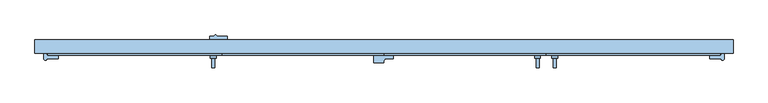
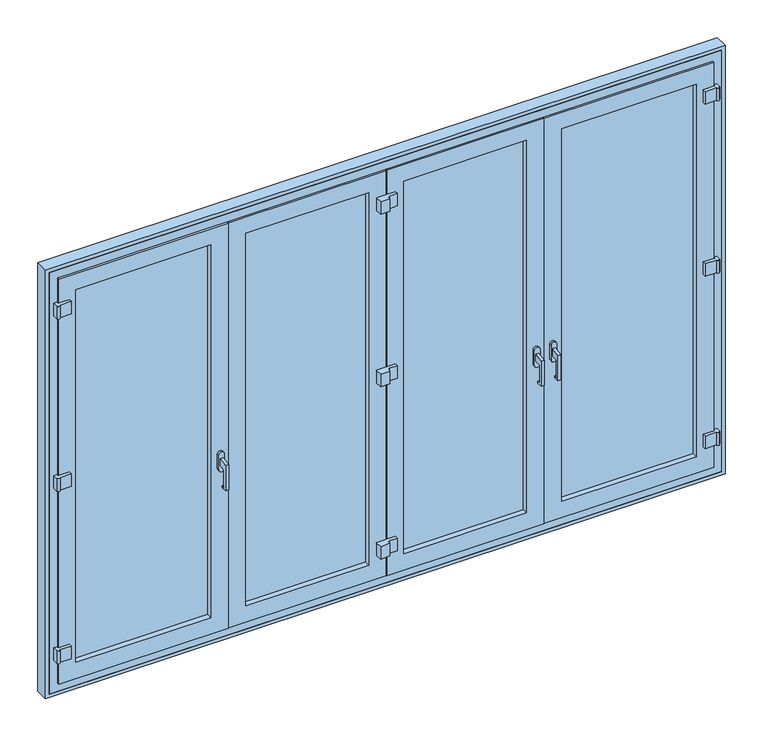
"""IFC4 building model written with IfcOpenShell, lengths in millimetres: window geometry."""

from ifc_helpers import new_model, si_unit, point, frame, frame_2d, origin, place, context, project, spatial, polyline, circle_curve, trimmed, segment, composite_curve, outline, extrude, faceted_brep, source, transform, mapped, element, save
from ifc_brep_helpers import plane_surface, cylinder_surface, advanced_brep


def window_f458650f(model_context):
    return source(origin(), model_context, "Body", "SolidModel", [
        extrude(outline(polyline([(-29.0, 1000.0), (-29.0, 900.0), (-14.0, 900.0), (-14.0, 890.0), (-44.0, 890.0), (-44.0, 1031.183651), (6.0, 1040.0), (6.0, 1000.0), (-29.0, 1000.0)])), frame((871.75, 0.0, 0.0), z_axis=(1.0, 0.0, 0.0), x_axis=(0.0, 1.0, 0.0)), (0.0, 0.0, 1.0), 16.0),
        extrude(outline(polyline([(-29.0, 1000.0), (-29.0, 900.0), (-14.0, 900.0), (-14.0, 890.0), (-44.0, 890.0), (-44.0, 1031.183651), (6.0, 1040.0), (6.0, 1000.0), (-29.0, 1000.0)])), frame((-887.75, 0.0, 0.0), z_axis=(1.0, 0.0, 0.0), x_axis=(0.0, 1.0, 0.0)), (0.0, 0.0, 1.0), 16.0),
        advanced_brep(
        [(-864.75, 6.0, 1060.0), (-894.75, 6.0, 1060.0), (-894.75, 6.0, 980.0), (-864.75, 6.0, 980.0), (-864.75, 20.0, 1060.0), (-864.75, 20.0, 980.0), (-894.75, 20.0, 980.0), (-894.75, 20.0, 1060.0)],
        [
            (0, 1, circle_curve(frame((-879.75, 6.0, 1060.0), z_axis=(0.0, -1.0, 0.0), x_axis=(-1.0, 0.0, 0.0)), 15.0)),
            (1, 2),
            (2, 3, circle_curve(frame((-879.75, 6.0, 980.0), z_axis=(0.0, -1.0, 0.0), x_axis=(-1.0, 0.0, 0.0)), 15.0)),
            (3, 0),
            (4, 5),
            (5, 6, circle_curve(frame((-879.75, 20.0, 980.0), z_axis=(0.0, 1.0, 0.0), x_axis=(-1.0, 0.0, 0.0)), 15.0)),
            (6, 7),
            (7, 4, circle_curve(frame((-879.75, 20.0, 1060.0), z_axis=(0.0, 1.0, 0.0), x_axis=(-1.0, 0.0, 0.0)), 15.0)),
            (3, 5),
            (4, 0),
            (2, 6),
            (1, 7),
        ],
        [
            plane_surface(frame((-864.75, 6.0, 1060.0), z_axis=(0.0, -1.0, 0.0), x_axis=(0.0, 0.0, 1.0))),
            plane_surface(frame((-864.75, 20.0, 1060.0), z_axis=(0.0, 1.0, 0.0), x_axis=(0.0, 0.0, -1.0))),
            plane_surface(frame((-864.75, 20.0, 1060.0), z_axis=(1.0, 0.0, 0.0), x_axis=(0.0, -1.0, 0.0))),
            cylinder_surface(frame((-879.75, 6.0, 980.0), z_axis=(0.0, 1.0, 0.0), x_axis=(-1.0, 0.0, 0.0)), 15.0),
            plane_surface(frame((-894.75, 20.0, 980.0), z_axis=(-1.0, 0.0, 0.0), x_axis=(0.0, -1.0, 0.0))),
            cylinder_surface(frame((-879.75, 6.0, 1060.0), z_axis=(0.0, 1.0, 0.0), x_axis=(-1.0, 0.0, 0.0)), 15.0),
        ],
        [
            (0, [[1, 2, 3, 4]]),
            (1, [[5, 6, 7, 8]]),
            (2, [[-4, 9, -5, 10]]),
            (3, [[-3, 11, -6, -9]]),
            (4, [[-2, 12, -7, -11]]),
            (5, [[-1, -10, -8, -12]]),
        ],
    ),
        advanced_brep(
        [(806.75, 6.0, 1060.0), (776.75, 6.0, 1060.0), (776.75, 6.0, 980.0), (806.75, 6.0, 980.0), (799.75, 6.0, 1040.0), (799.75, 6.0, 1000.0), (783.75, 6.0, 1000.0), (783.75, 6.0, 1040.0), (806.75, 20.0, 1060.0), (806.75, 20.0, 980.0), (776.75, 20.0, 980.0), (776.75, 20.0, 1060.0), (799.75, -29.0, 1000.0), (799.75, -44.0, 1031.183651), (799.75, -44.0, 890.0), (799.75, -14.0, 890.0), (799.75, -14.0, 900.0), (799.75, -29.0, 900.0), (783.75, -29.0, 1000.0), (783.75, -29.0, 900.0), (783.75, -14.0, 900.0), (783.75, -14.0, 890.0), (783.75, -44.0, 890.0), (783.75, -44.0, 1031.183651)],
        [
            (0, 1, circle_curve(frame((791.75, 6.0, 1060.0), z_axis=(0.0, -1.0, 0.0), x_axis=(-1.0, 0.0, 0.0)), 15.0)),
            (1, 2),
            (2, 3, circle_curve(frame((791.75, 6.0, 980.0), z_axis=(0.0, -1.0, 0.0), x_axis=(-1.0, 0.0, 0.0)), 15.0)),
            (3, 0),
            (4, 5),
            (5, 6),
            (6, 7),
            (7, 4),
            (8, 9),
            (9, 10, circle_curve(frame((791.75, 20.0, 980.0), z_axis=(0.0, 1.0, 0.0), x_axis=(-1.0, 0.0, 0.0)), 15.0)),
            (10, 11),
            (11, 8, circle_curve(frame((791.75, 20.0, 1060.0), z_axis=(0.0, 1.0, 0.0), x_axis=(-1.0, 0.0, 0.0)), 15.0)),
            (12, 5),
            (4, 13),
            (13, 14),
            (14, 15),
            (15, 16),
            (16, 17),
            (17, 12),
            (18, 19),
            (19, 20),
            (20, 21),
            (21, 22),
            (22, 23),
            (23, 7),
            (6, 18),
            (17, 19),
            (18, 12),
            (16, 20),
            (15, 21),
            (14, 22),
            (13, 23),
            (3, 9),
            (8, 0),
            (2, 10),
            (1, 11),
        ],
        [
            plane_surface(frame((-864.75, 6.0, 1060.0), z_axis=(0.0, -1.0, 0.0), x_axis=(0.0, 0.0, 1.0))),
            plane_surface(frame((-864.75, 20.0, 1060.0), z_axis=(0.0, 1.0, 0.0), x_axis=(0.0, 0.0, -1.0))),
            plane_surface(frame((799.75, -29.0, 1000.0), z_axis=(1.0, 0.0, 0.0), x_axis=(0.0, 0.0, 1.0))),
            plane_surface(frame((783.75, -29.0, 1000.0), z_axis=(-1.0, 0.0, 0.0), x_axis=(0.0, 0.0, -1.0))),
            plane_surface(frame((783.75, -29.0, 1000.0), z_axis=(0.0, 1.0, 0.0), x_axis=(1.0, 0.0, 0.0))),
            plane_surface(frame((783.75, -29.0, 900.0), z_axis=(0.0, 0.0, 1.0), x_axis=(1.0, 0.0, 0.0))),
            plane_surface(frame((783.75, -14.0, 900.0), z_axis=(0.0, 1.0, 0.0), x_axis=(1.0, 0.0, 0.0))),
            plane_surface(frame((783.75, -14.0, 890.0), z_axis=(0.0, 0.0, -1.0), x_axis=(1.0, 0.0, 0.0))),
            plane_surface(frame((783.75, -44.0, 890.0), z_axis=(0.0, -1.0, 0.0), x_axis=(1.0, 0.0, 0.0))),
            plane_surface(frame((783.75, -44.0, 1031.183651), z_axis=(0.0, -0.17364817766692772, 0.9848077530122086), x_axis=(1.0, 0.0, 0.0))),
            plane_surface(frame((783.75, 6.0, 1000.0), z_axis=(0.0, 0.0, -1.0), x_axis=(1.0, 0.0, 0.0))),
            plane_surface(frame((806.75, 20.0, 1060.0), z_axis=(1.0, 0.0, 0.0), x_axis=(0.0, -1.0, 0.0))),
            cylinder_surface(frame((791.75, 20.0, 980.0), z_axis=(0.0, 1.0, 0.0), x_axis=(-1.0, 0.0, 0.0)), 15.0),
            plane_surface(frame((776.75, 20.0, 980.0), z_axis=(-1.0, 0.0, 0.0), x_axis=(0.0, -1.0, 0.0))),
            cylinder_surface(frame((791.75, 20.0, 1060.0), z_axis=(0.0, 1.0, 0.0), x_axis=(-1.0, 0.0, 0.0)), 15.0),
        ],
        [
            (0, [[1, 2, 3, 4], [5, 6, 7, 8]]),
            (1, [[9, 10, 11, 12]]),
            (2, [[13, -5, 14, 15, 16, 17, 18, 19]]),
            (3, [[20, 21, 22, 23, 24, 25, -7, 26]]),
            (4, [[-19, 27, -20, 28]]),
            (5, [[-18, 29, -21, -27]]),
            (6, [[-17, 30, -22, -29]]),
            (7, [[-16, 31, -23, -30]]),
            (8, [[-15, 32, -24, -31]]),
            (9, [[-14, -8, -25, -32]]),
            (10, [[-13, -28, -26, -6]]),
            (11, [[-4, 33, -9, 34]]),
            (12, [[-3, 35, -10, -33]]),
            (13, [[-2, 36, -11, -35]]),
            (14, [[-1, -34, -12, -36]]),
        ],
    ),
        advanced_brep(
        [(864.75, 6.0, 1060.0), (864.75, 6.0, 980.0), (894.75, 6.0, 980.0), (894.75, 6.0, 1060.0), (864.75, 20.0, 1060.0), (894.75, 20.0, 1060.0), (894.75, 20.0, 980.0), (864.75, 20.0, 980.0)],
        [
            (0, 1),
            (1, 2, circle_curve(frame((879.75, 6.0, 980.0), z_axis=(0.0, -1.0, 0.0), x_axis=(-1.0, 0.0, 0.0)), 15.0)),
            (2, 3),
            (3, 0, circle_curve(frame((879.75, 6.0, 1060.0), z_axis=(0.0, -1.0, 0.0), x_axis=(-1.0, 0.0, 0.0)), 15.0)),
            (4, 5, circle_curve(frame((879.75, 20.0, 1060.0), z_axis=(0.0, 1.0, 0.0), x_axis=(-1.0, 0.0, 0.0)), 15.0)),
            (5, 6),
            (6, 7, circle_curve(frame((879.75, 20.0, 980.0), z_axis=(0.0, 1.0, 0.0), x_axis=(-1.0, 0.0, 0.0)), 15.0)),
            (7, 4),
            (3, 5),
            (4, 0),
            (2, 6),
            (1, 7),
        ],
        [
            plane_surface(frame((-864.75, 6.0, 1060.0), z_axis=(0.0, -1.0, 0.0), x_axis=(0.0, 0.0, 1.0))),
            plane_surface(frame((-864.75, 20.0, 1060.0), z_axis=(0.0, 1.0, 0.0), x_axis=(0.0, 0.0, -1.0))),
            cylinder_surface(frame((879.75, 20.0, 1060.0), z_axis=(0.0, 1.0, 0.0), x_axis=(-1.0, 0.0, 0.0)), 15.0),
            plane_surface(frame((894.75, 20.0, 1060.0), z_axis=(1.0, 0.0, 0.0), x_axis=(0.0, -1.0, 0.0))),
            cylinder_surface(frame((879.75, 20.0, 980.0), z_axis=(0.0, 1.0, 0.0), x_axis=(-1.0, 0.0, 0.0)), 15.0),
            plane_surface(frame((864.75, 20.0, 980.0), z_axis=(-1.0, 0.0, 0.0), x_axis=(0.0, -1.0, 0.0))),
        ],
        [
            (0, [[1, 2, 3, 4]]),
            (1, [[5, 6, 7, 8]]),
            (2, [[-4, 9, -5, 10]]),
            (3, [[-3, 11, -6, -9]]),
            (4, [[-2, 12, -7, -11]]),
            (5, [[-1, -10, -8, -12]]),
        ],
    ),
        extrude(outline(composite_curve([segment(trimmed(circle_curve(frame_2d((-868.75, 117.5)), 7.5), [point((-876.25, 117.5))], [point((-861.25, 117.5))], False, "CARTESIAN"), True, "CONTINUOUS"), segment(polyline([(-861.25, 117.5), (-808.75, 117.5), (-808.75, 100.0), (-898.75, 100.0), (-898.75, 117.5), (-876.25, 117.5)]), True, "CONTINUOUS")], self_intersect=False)), frame((0.0, 0.0, 2130.0), z_axis=(0.0, 0.0, 1.0), x_axis=(1.0, 0.0, 0.0)), (0.0, 0.0, 1.0), 70.0),
        extrude(outline(composite_curve([segment(trimmed(circle_curve(frame_2d((-1746.0, 2.5)), 7.5), [point((-1738.5119907, 2.0760699))], [point((-1753.4880093, 2.0760699))], False, "CARTESIAN"), True, "CONTINUOUS"), segment(polyline([(-1753.4880093, 2.0760699), (-1755.5119907, 2.0760699), (-1755.5119907, 30.0), (-1738.5119907, 30.0), (-1738.5119907, 20.0), (-1678.5119907, 20.0), (-1678.5119907, 2.0760699), (-1738.5119907, 2.0760699)]), True, "CONTINUOUS")], self_intersect=False)), frame((0.0, 0.0, 2130.0), z_axis=(0.0, 0.0, 1.0), x_axis=(1.0, 0.0, 0.0)), (0.0, 0.0, 1.0), 70.0),
        extrude(outline(composite_curve([segment(trimmed(circle_curve(frame_2d((-2.0, 2.5)), 7.5), [point((5.5, 2.5))], [point((-2.0, -5.0))], False, "CARTESIAN"), True, "CONTINUOUS"), segment(polyline([(-2.0, -5.0), (-2.0, -17.5), (-52.0, -17.5), (-52.0, 20.0), (48.0, 20.0), (48.0, 2.5), (5.5, 2.5)]), True, "CONTINUOUS")], self_intersect=False)), frame((0.0, 0.0, 2130.0), z_axis=(0.0, 0.0, 1.0), x_axis=(1.0, 0.0, 0.0)), (0.0, 0.0, 1.0), 70.0),
        extrude(outline(composite_curve([segment(trimmed(circle_curve(frame_2d((1746.0, 2.5)), 7.5), [point((1753.4880093, 2.0760699))], [point((1738.5119907, 2.0760699))], False, "CARTESIAN"), True, "CONTINUOUS"), segment(polyline([(1738.5119907, 2.0760699), (1678.5119907, 2.0760699), (1678.5119907, 20.0), (1738.5119907, 20.0), (1738.5119907, 30.0), (1755.5119907, 30.0), (1755.5119907, 2.0760699), (1753.4880093, 2.0760699)]), True, "CONTINUOUS")], self_intersect=False)), frame((0.0, 0.0, 2130.0), z_axis=(0.0, 0.0, 1.0), x_axis=(1.0, 0.0, 0.0)), (0.0, 0.0, 1.0), 70.0),
        extrude(outline(composite_curve([segment(trimmed(circle_curve(frame_2d((-868.75, 117.5)), 7.5), [point((-876.25, 117.5))], [point((-861.25, 117.5))], False, "CARTESIAN"), True, "CONTINUOUS"), segment(polyline([(-861.25, 117.5), (-808.75, 117.5), (-808.75, 100.0), (-898.75, 100.0), (-898.75, 117.5), (-876.25, 117.5)]), True, "CONTINUOUS")], self_intersect=False)), frame((0.0, 0.0, 200.0), z_axis=(0.0, 0.0, 1.0), x_axis=(1.0, 0.0, 0.0)), (0.0, 0.0, 1.0), 70.0),
        extrude(outline(composite_curve([segment(polyline([(-1738.5119907, 20.0), (-1678.5119907, 20.0), (-1678.5119907, 2.0760699), (-1738.5119907, 2.0760699)]), True, "CONTINUOUS"), segment(trimmed(circle_curve(frame_2d((-1746.0, 2.5)), 7.5), [point((-1738.5119907, 2.0760699))], [point((-1753.4880093, 2.0760699))], False, "CARTESIAN"), True, "CONTINUOUS"), segment(polyline([(-1753.4880093, 2.0760699), (-1755.5119907, 2.0760699), (-1755.5119907, 30.0), (-1738.5119907, 30.0), (-1738.5119907, 20.0)]), True, "CONTINUOUS")], self_intersect=False)), frame((0.0, 0.0, 200.0), z_axis=(0.0, 0.0, 1.0), x_axis=(1.0, 0.0, 0.0)), (0.0, 0.0, 1.0), 70.0),
        extrude(outline(composite_curve([segment(polyline([(48.0, 20.0), (48.0, 2.5), (5.5, 2.5)]), True, "CONTINUOUS"), segment(trimmed(circle_curve(frame_2d((-2.0, 2.5)), 7.5), [point((5.5, 2.5))], [point((-2.0, -5.0))], False, "CARTESIAN"), True, "CONTINUOUS"), segment(polyline([(-2.0, -5.0), (-2.0, -17.5), (-52.0, -17.5), (-52.0, 20.0), (48.0, 20.0)]), True, "CONTINUOUS")], self_intersect=False)), frame((0.0, 0.0, 200.0), z_axis=(0.0, 0.0, 1.0), x_axis=(1.0, 0.0, 0.0)), (0.0, 0.0, 1.0), 70.0),
        extrude(outline(composite_curve([segment(polyline([(1738.5119907, 20.0), (1738.5119907, 30.0), (1755.5119907, 30.0), (1755.5119907, 2.0760699), (1753.4880093, 2.0760699)]), True, "CONTINUOUS"), segment(trimmed(circle_curve(frame_2d((1746.0, 2.5)), 7.5), [point((1753.4880093, 2.0760699))], [point((1738.5119907, 2.0760699))], False, "CARTESIAN"), True, "CONTINUOUS"), segment(polyline([(1738.5119907, 2.0760699), (1678.5119907, 2.0760699), (1678.5119907, 20.0), (1738.5119907, 20.0)]), True, "CONTINUOUS")], self_intersect=False)), frame((0.0, 0.0, 200.0), z_axis=(0.0, 0.0, 1.0), x_axis=(1.0, 0.0, 0.0)), (0.0, 0.0, 1.0), 70.0),
        extrude(outline(composite_curve([segment(trimmed(circle_curve(frame_2d((-1746.0, 2.5)), 7.5), [point((-1738.5119907, 2.0760699))], [point((-1753.4880093, 2.0760699))], False, "CARTESIAN"), True, "CONTINUOUS"), segment(polyline([(-1753.4880093, 2.0760699), (-1755.5119907, 2.0760699), (-1755.5119907, 30.0), (-1738.5119907, 30.0), (-1738.5119907, 20.0), (-1678.5119907, 20.0), (-1678.5119907, 2.0760699), (-1738.5119907, 2.0760699)]), True, "CONTINUOUS")], self_intersect=False)), frame((0.0, 0.0, 1165.0), z_axis=(0.0, 0.0, 1.0), x_axis=(1.0, 0.0, 0.0)), (0.0, 0.0, 1.0), 70.0),
        extrude(outline(composite_curve([segment(trimmed(circle_curve(frame_2d((-868.75, 117.5)), 7.5), [point((-876.25, 117.5))], [point((-861.25, 117.5))], False, "CARTESIAN"), True, "CONTINUOUS"), segment(polyline([(-861.25, 117.5), (-808.75, 117.5), (-808.75, 100.0), (-898.75, 100.0), (-898.75, 117.5), (-876.25, 117.5)]), True, "CONTINUOUS")], self_intersect=False)), frame((0.0, 0.0, 1165.0), z_axis=(0.0, 0.0, 1.0), x_axis=(1.0, 0.0, 0.0)), (0.0, 0.0, 1.0), 70.0),
        extrude(outline(composite_curve([segment(trimmed(circle_curve(frame_2d((-2.0, 2.5)), 7.5), [point((5.5, 2.5))], [point((-2.0, -5.0))], False, "CARTESIAN"), True, "CONTINUOUS"), segment(polyline([(-2.0, -5.0), (-2.0, -17.5), (-52.0, -17.5), (-52.0, 20.0), (48.0, 20.0), (48.0, 2.5), (5.5, 2.5)]), True, "CONTINUOUS")], self_intersect=False)), frame((0.0, 0.0, 1165.0), z_axis=(0.0, 0.0, 1.0), x_axis=(1.0, 0.0, 0.0)), (0.0, 0.0, 1.0), 70.0),
        extrude(outline(composite_curve([segment(trimmed(circle_curve(frame_2d((1746.0, 2.5)), 7.5), [point((1753.4880093, 2.0760699))], [point((1738.5119907, 2.0760699))], False, "CARTESIAN"), True, "CONTINUOUS"), segment(polyline([(1738.5119907, 2.0760699), (1678.5119907, 2.0760699), (1678.5119907, 20.0), (1738.5119907, 20.0), (1738.5119907, 30.0), (1755.5119907, 30.0), (1755.5119907, 2.0760699), (1753.4880093, 2.0760699)]), True, "CONTINUOUS")], self_intersect=False)), frame((0.0, 0.0, 1165.0), z_axis=(0.0, 0.0, 1.0), x_axis=(1.0, 0.0, 0.0)), (0.0, 0.0, 1.0), 70.0),
        faceted_brep([(93.0, 60.0, 2243.0), (93.0, 20.0, 2243.0), (93.0, 20.0, 157.0), (93.0, 60.0, 157.0), (75.0, 91.0, 2261.0), (75.0, 60.0, 2261.0), (75.0, 60.0, 139.0), (75.0, 91.0, 139.0), (93.0, 100.0, 2243.0), (93.0, 91.0, 2243.0), (93.0, 91.0, 157.0), (93.0, 100.0, 157.0), (39.0, 95.0, 2297.0), (39.0, 100.0, 2297.0), (39.0, 100.0, 103.0), (39.0, 95.0, 103.0), (18.0, 30.0, 2318.0), (18.0, 95.0, 2318.0), (18.0, 95.0, 82.0), (18.0, 30.0, 82.0), (2.0, 20.0, 2334.0), (2.0, 30.0, 2334.0), (2.0, 30.0, 66.0), (2.0, 20.0, 66.0), (742.75, 20.0, 157.0), (742.75, 60.0, 157.0), (760.75, 60.0, 139.0), (760.75, 91.0, 139.0), (742.75, 91.0, 157.0), (742.75, 100.0, 157.0), (796.75, 100.0, 103.0), (796.75, 95.0, 103.0), (817.75, 95.0, 82.0), (817.75, 30.0, 82.0), (833.75, 30.0, 66.0), (833.75, 20.0, 66.0), (742.75, 20.0, 2243.0), (742.75, 60.0, 2243.0), (760.75, 60.0, 2261.0), (760.75, 91.0, 2261.0), (742.75, 91.0, 2243.0), (742.75, 100.0, 2243.0), (796.75, 100.0, 2297.0), (796.75, 95.0, 2297.0), (817.75, 95.0, 103.0), (817.75, 30.0, 103.0), (817.75, 95.0, 2318.0), (817.75, 30.0, 2318.0), (817.75, 30.0, 2297.0), (817.75, 95.0, 2297.0), (833.75, 30.0, 103.0), (833.75, 30.0, 2297.0), (833.75, 30.0, 2334.0), (833.75, 20.0, 2334.0), (802.75, 95.0, 2297.0), (802.75, 95.0, 103.0), (853.75, 30.0, 2297.0), (853.75, 95.0, 2297.0), (868.75, 95.0, 2297.0), (868.75, 100.0, 2297.0), (802.75, 100.0, 2297.0), (802.75, 100.0, 103.0), (868.75, 100.0, 103.0), (868.75, 95.0, 103.0), (853.75, 95.0, 103.0), (853.75, 30.0, 103.0)], [[[0, 1, 2, 3]], [[4, 5, 6, 7]], [[8, 9, 10, 11]], [[12, 13, 14, 15]], [[16, 17, 18, 19]], [[20, 21, 22, 23]], [[3, 2, 24, 25]], [[7, 6, 26, 27]], [[11, 10, 28, 29]], [[15, 14, 30, 31]], [[19, 18, 32, 33]], [[23, 22, 34, 35]], [[25, 24, 36, 37]], [[27, 26, 38, 39]], [[29, 28, 40, 41]], [[31, 30, 42, 43]], [[33, 32, 44, 45]], [[46, 47, 48, 49]], [[35, 34, 50, 51, 52, 53]], [[1, 0, 37, 36]], [[6, 5, 38, 26], [0, 3, 25, 37]], [[5, 4, 39, 38]], [[4, 7, 27, 39], [10, 9, 40, 28]], [[9, 8, 41, 40]], [[14, 13, 42, 30], [8, 11, 29, 41]], [[13, 12, 43, 42]], [[18, 17, 46, 49, 54, 55, 44, 32], [12, 15, 31, 43]], [[17, 16, 47, 46]], [[16, 19, 33, 45, 50, 34, 22, 21, 52, 51, 48, 47]], [[21, 20, 53, 52]], [[20, 23, 35, 53], [2, 1, 36, 24]], [[56, 57, 58, 59, 60, 54, 49, 48, 51]], [[55, 61, 62, 63, 64, 65, 50, 45, 44]], [[54, 60, 61, 55]], [[60, 59, 62, 61]], [[59, 58, 63, 62]], [[58, 57, 64, 63]], [[57, 56, 65, 64]], [[65, 56, 51, 50]]]),
        faceted_brep([(-742.75, 60.0, 2243.0), (-742.75, 20.0, 2243.0), (-742.75, 20.0, 157.0), (-742.75, 60.0, 157.0), (-760.75, 91.0, 2261.0), (-760.75, 60.0, 2261.0), (-760.75, 60.0, 139.0), (-760.75, 91.0, 139.0), (-742.75, 100.0, 2243.0), (-742.75, 91.0, 2243.0), (-742.75, 91.0, 157.0), (-742.75, 100.0, 157.0), (-796.75, 95.0, 2297.0), (-796.75, 100.0, 2297.0), (-796.75, 100.0, 103.0), (-796.75, 95.0, 103.0), (-817.75, 95.0, 82.0), (-817.75, 30.0, 82.0), (-817.75, 30.0, 103.0), (-817.75, 95.0, 103.0), (-817.75, 30.0, 2318.0), (-817.75, 95.0, 2318.0), (-817.75, 95.0, 2297.0), (-817.75, 30.0, 2297.0), (-833.75, 20.0, 2334.0), (-833.75, 30.0, 2334.0), (-833.75, 30.0, 2297.0), (-833.75, 30.0, 103.0), (-833.75, 30.0, 66.0), (-833.75, 20.0, 66.0), (-93.0, 20.0, 157.0), (-93.0, 60.0, 157.0), (-75.0, 60.0, 139.0), (-75.0, 91.0, 139.0), (-93.0, 91.0, 157.0), (-93.0, 100.0, 157.0), (-39.0, 100.0, 103.0), (-39.0, 95.0, 103.0), (-18.0, 95.0, 82.0), (-18.0, 30.0, 82.0), (-2.0, 30.0, 66.0), (-2.0, 20.0, 66.0), (-93.0, 20.0, 2243.0), (-93.0, 60.0, 2243.0), (-75.0, 60.0, 2261.0), (-75.0, 91.0, 2261.0), (-93.0, 91.0, 2243.0), (-93.0, 100.0, 2243.0), (-39.0, 100.0, 2297.0), (-39.0, 95.0, 2297.0), (-18.0, 95.0, 103.0), (-18.0, 30.0, 103.0), (-18.0, 95.0, 2318.0), (-18.0, 30.0, 2318.0), (-18.0, 30.0, 2297.0), (-18.0, 95.0, 2297.0), (-2.0, 30.0, 103.0), (-2.0, 30.0, 2297.0), (-2.0, 30.0, 2334.0), (-2.0, 20.0, 2334.0), (-802.75, 95.0, 103.0), (-802.75, 95.0, 2297.0), (-33.0, 95.0, 2297.0), (-33.0, 95.0, 103.0), (-802.75, 100.0, 2297.0), (-868.75, 100.0, 2297.0), (-868.75, 95.0, 2297.0), (-853.75, 95.0, 2297.0), (-853.75, 30.0, 2297.0), (-853.75, 30.0, 103.0), (-853.75, 95.0, 103.0), (-868.75, 95.0, 103.0), (-868.75, 100.0, 103.0), (-802.75, 100.0, 103.0), (18.0, 30.0, 2297.0), (18.0, 95.0, 2297.0), (33.0, 95.0, 2297.0), (33.0, 100.0, 2297.0), (-33.0, 100.0, 2297.0), (-33.0, 100.0, 103.0), (33.0, 100.0, 103.0), (33.0, 95.0, 103.0), (18.0, 95.0, 103.0), (18.0, 30.0, 103.0)], [[[0, 1, 2, 3]], [[4, 5, 6, 7]], [[8, 9, 10, 11]], [[12, 13, 14, 15]], [[16, 17, 18, 19]], [[20, 21, 22, 23]], [[24, 25, 26, 27, 28, 29]], [[3, 2, 30, 31]], [[7, 6, 32, 33]], [[11, 10, 34, 35]], [[15, 14, 36, 37]], [[17, 16, 38, 39]], [[29, 28, 40, 41]], [[31, 30, 42, 43]], [[33, 32, 44, 45]], [[35, 34, 46, 47]], [[37, 36, 48, 49]], [[39, 38, 50, 51]], [[52, 53, 54, 55]], [[41, 40, 56, 57, 58, 59]], [[1, 0, 43, 42]], [[6, 5, 44, 32], [0, 3, 31, 43]], [[5, 4, 45, 44]], [[4, 7, 33, 45], [10, 9, 46, 34]], [[9, 8, 47, 46]], [[14, 13, 48, 36], [8, 11, 35, 47]], [[13, 12, 49, 48]], [[38, 16, 19, 60, 61, 22, 21, 52, 55, 62, 63, 50], [12, 15, 37, 49]], [[21, 20, 53, 52]], [[17, 39, 51, 56, 40, 28, 27, 18]], [[53, 20, 23, 26, 25, 58, 57, 54]], [[25, 24, 59, 58]], [[24, 29, 41, 59], [2, 1, 42, 30]], [[61, 64, 65, 66, 67, 68, 26, 23, 22]], [[69, 70, 71, 72, 73, 60, 19, 18, 27]], [[64, 61, 60, 73]], [[65, 64, 73, 72]], [[66, 65, 72, 71]], [[67, 66, 71, 70]], [[68, 67, 70, 69]], [[68, 69, 27, 26]], [[74, 75, 76, 77, 78, 62, 55, 54, 57]], [[63, 79, 80, 81, 82, 83, 56, 51, 50]], [[75, 74, 83, 82]], [[76, 75, 82, 81]], [[77, 76, 81, 80]], [[78, 77, 80, 79]], [[62, 78, 79, 63]], [[83, 74, 57, 56]]]),
        extrude(outline(polyline([(-910.75, 50.0), (-1661.0, 50.0), (-1661.0, 91.0), (-910.75, 91.0), (-910.75, 50.0)])), frame((0.0, 0.0, 139.0), z_axis=(0.0, 0.0, 1.0), x_axis=(1.0, 0.0, 0.0)), (0.0, 0.0, 1.0), 2122.0),
        extrude(outline(polyline([(-75.0, 50.0), (-760.75, 50.0), (-760.75, 91.0), (-75.0, 91.0), (-75.0, 50.0)])), frame((0.0, 0.0, 139.0), z_axis=(0.0, 0.0, 1.0), x_axis=(1.0, 0.0, 0.0)), (0.0, 0.0, 1.0), 2122.0),
        extrude(outline(polyline([(1661.0, 50.0), (910.75, 50.0), (910.75, 91.0), (1661.0, 91.0), (1661.0, 50.0)])), frame((0.0, 0.0, 139.0), z_axis=(0.0, 0.0, 1.0), x_axis=(1.0, 0.0, 0.0)), (0.0, 0.0, 1.0), 2122.0),
        extrude(outline(polyline([(760.75, 50.0), (75.0, 50.0), (75.0, 91.0), (760.75, 91.0), (760.75, 50.0)])), frame((0.0, 0.0, 139.0), z_axis=(0.0, 0.0, 1.0), x_axis=(1.0, 0.0, 0.0)), (0.0, 0.0, 1.0), 2122.0),
        faceted_brep([(928.75, 60.0, 2243.0), (928.75, 20.0, 2243.0), (928.75, 20.0, 157.0), (928.75, 60.0, 157.0), (910.75, 91.0, 2261.0), (910.75, 60.0, 2261.0), (910.75, 60.0, 139.0), (910.75, 91.0, 139.0), (928.75, 100.0, 2243.0), (928.75, 91.0, 2243.0), (928.75, 91.0, 157.0), (928.75, 100.0, 157.0), (874.75, 95.0, 2297.0), (874.75, 100.0, 2297.0), (874.75, 100.0, 103.0), (874.75, 95.0, 103.0), (853.75, 30.0, 2318.0), (853.75, 95.0, 2318.0), (853.75, 95.0, 82.0), (853.75, 30.0, 82.0), (837.75, 20.0, 2334.0), (837.75, 30.0, 2334.0), (837.75, 30.0, 66.0), (837.75, 20.0, 66.0), (1643.0, 20.0, 157.0), (1643.0, 60.0, 157.0), (1661.0, 60.0, 139.0), (1661.0, 91.0, 139.0), (1643.0, 91.0, 157.0), (1643.0, 100.0, 157.0), (1697.0, 100.0, 103.0), (1697.0, 95.0, 103.0), (1718.0, 95.0, 82.0), (1718.0, 30.0, 82.0), (1734.0, 30.0, 66.0), (1734.0, 20.0, 66.0), (1643.0, 20.0, 2243.0), (1643.0, 60.0, 2243.0), (1661.0, 60.0, 2261.0), (1661.0, 91.0, 2261.0), (1643.0, 91.0, 2243.0), (1643.0, 100.0, 2243.0), (1697.0, 100.0, 2297.0), (1697.0, 95.0, 2297.0), (1718.0, 95.0, 2318.0), (1718.0, 30.0, 2318.0), (1734.0, 30.0, 2334.0), (1734.0, 20.0, 2334.0)], [[[0, 1, 2, 3]], [[4, 5, 6, 7]], [[8, 9, 10, 11]], [[12, 13, 14, 15]], [[16, 17, 18, 19]], [[20, 21, 22, 23]], [[3, 2, 24, 25]], [[7, 6, 26, 27]], [[11, 10, 28, 29]], [[15, 14, 30, 31]], [[19, 18, 32, 33]], [[23, 22, 34, 35]], [[25, 24, 36, 37]], [[27, 26, 38, 39]], [[29, 28, 40, 41]], [[31, 30, 42, 43]], [[33, 32, 44, 45]], [[35, 34, 46, 47]], [[37, 36, 1, 0]], [[5, 38, 26, 6], [3, 25, 37, 0]], [[39, 38, 5, 4]], [[7, 27, 39, 4], [9, 40, 28, 10]], [[41, 40, 9, 8]], [[13, 42, 30, 14], [11, 29, 41, 8]], [[43, 42, 13, 12]], [[17, 44, 32, 18], [15, 31, 43, 12]], [[45, 44, 17, 16]], [[21, 46, 34, 22], [19, 33, 45, 16]], [[47, 46, 21, 20]], [[23, 35, 47, 20], [1, 36, 24, 2]]]),
        faceted_brep([(-1643.0, 60.0, 2243.0), (-1643.0, 20.0, 2243.0), (-1643.0, 20.0, 157.0), (-1643.0, 60.0, 157.0), (-1661.0, 91.0, 2261.0), (-1661.0, 60.0, 2261.0), (-1661.0, 60.0, 139.0), (-1661.0, 91.0, 139.0), (-1643.0, 100.0, 2243.0), (-1643.0, 91.0, 2243.0), (-1643.0, 91.0, 157.0), (-1643.0, 100.0, 157.0), (-1697.0, 95.0, 2297.0), (-1697.0, 100.0, 2297.0), (-1697.0, 100.0, 103.0), (-1697.0, 95.0, 103.0), (-1718.0, 30.0, 2318.0), (-1718.0, 95.0, 2318.0), (-1718.0, 95.0, 82.0), (-1718.0, 30.0, 82.0), (-1734.0, 20.0, 2334.0), (-1734.0, 30.0, 2334.0), (-1734.0, 30.0, 66.0), (-1734.0, 20.0, 66.0), (-928.75, 20.0, 157.0), (-928.75, 60.0, 157.0), (-910.75, 60.0, 139.0), (-910.75, 91.0, 139.0), (-928.75, 91.0, 157.0), (-928.75, 100.0, 157.0), (-874.75, 100.0, 103.0), (-874.75, 95.0, 103.0), (-853.75, 95.0, 82.0), (-853.75, 30.0, 82.0), (-837.75, 30.0, 66.0), (-837.75, 20.0, 66.0), (-928.75, 20.0, 2243.0), (-928.75, 60.0, 2243.0), (-910.75, 60.0, 2261.0), (-910.75, 91.0, 2261.0), (-928.75, 91.0, 2243.0), (-928.75, 100.0, 2243.0), (-874.75, 100.0, 2297.0), (-874.75, 95.0, 2297.0), (-853.75, 95.0, 2318.0), (-853.75, 30.0, 2318.0), (-837.75, 30.0, 2334.0), (-837.75, 20.0, 2334.0)], [[[0, 1, 2, 3]], [[4, 5, 6, 7]], [[8, 9, 10, 11]], [[12, 13, 14, 15]], [[16, 17, 18, 19]], [[20, 21, 22, 23]], [[3, 2, 24, 25]], [[7, 6, 26, 27]], [[11, 10, 28, 29]], [[15, 14, 30, 31]], [[19, 18, 32, 33]], [[23, 22, 34, 35]], [[25, 24, 36, 37]], [[27, 26, 38, 39]], [[29, 28, 40, 41]], [[31, 30, 42, 43]], [[33, 32, 44, 45]], [[35, 34, 46, 47]], [[37, 36, 1, 0]], [[5, 38, 26, 6], [3, 25, 37, 0]], [[39, 38, 5, 4]], [[7, 27, 39, 4], [9, 40, 28, 10]], [[41, 40, 9, 8]], [[13, 42, 30, 14], [11, 29, 41, 8]], [[43, 42, 13, 12]], [[17, 44, 32, 18], [15, 31, 43, 12]], [[45, 44, 17, 16]], [[21, 46, 34, 22], [19, 33, 45, 16]], [[47, 46, 21, 20]], [[23, 35, 47, 20], [1, 36, 24, 2]]]),
        faceted_brep([(1703.0, 95.0, 2303.0), (1703.0, 100.0, 2303.0), (1703.0, 100.0, 97.0), (1703.0, 95.0, 97.0), (1718.0, 30.0, 2318.0), (1718.0, 95.0, 2318.0), (1718.0, 95.0, 82.0), (1718.0, 30.0, 82.0), (1780.0, 100.0, 2380.0), (1780.0, 30.0, 2380.0), (1780.0, 30.0, 20.0), (1780.0, 100.0, 20.0), (-1703.0, 100.0, 97.0), (-1703.0, 95.0, 97.0), (-1718.0, 95.0, 82.0), (-1718.0, 30.0, 82.0), (-1780.0, 30.0, 20.0), (-1780.0, 100.0, 20.0), (-1703.0, 100.0, 2303.0), (-1703.0, 95.0, 2303.0), (-1718.0, 95.0, 2318.0), (-1718.0, 30.0, 2318.0), (-1780.0, 30.0, 2380.0), (-1780.0, 100.0, 2380.0)], [[[0, 1, 2, 3]], [[4, 5, 6, 7]], [[8, 9, 10, 11]], [[3, 2, 12, 13]], [[7, 6, 14, 15]], [[11, 10, 16, 17]], [[13, 12, 18, 19]], [[15, 14, 20, 21]], [[17, 16, 22, 23]], [[19, 18, 1, 0]], [[5, 20, 14, 6], [3, 13, 19, 0]], [[21, 20, 5, 4]], [[9, 22, 16, 10], [7, 15, 21, 4]], [[23, 22, 9, 8]], [[11, 17, 23, 8], [1, 18, 12, 2]]]),
        extrude(outline(polyline([(2400.0, 1800.0), (2400.0, -1800.0), (0.0, -1800.0), (0.0, 1800.0), (2400.0, 1800.0)]), holes=[polyline([(20.0, -1780.0), (2380.0, -1780.0), (2380.0, 1780.0), (20.0, 1780.0), (20.0, -1780.0)])]), frame((0.0, 30.0, 0.0), z_axis=(0.0, 1.0, 0.0), x_axis=(0.0, 0.0, 1.0)), (0.0, 0.0, 1.0), 70.0),
    ])


if __name__ == "__main__":
    model = new_model("IFC4")
    model_context = context("Model", 3, world=origin())
    ifc_project = project(units=[si_unit("LENGTHUNIT", "METRE", prefix="MILLI")], contexts=[model_context])
    site = spatial("IfcSite", under=ifc_project)
    building = spatial("IfcBuilding", under=site)
    placement = place(None, origin())
    window_shape = window_f458650f(model_context)
    element("IfcWindow", 1, at=placement, inside=building, context=model_context, shape_type="MappedRepresentation", body=[
        mapped(window_shape, transform((0.0, 0.0, 0.0), x_axis=(1.0, 0.0, 0.0), y_axis=(0.0, 1.0, 0.0), z_axis=(0.0, 0.0, 1.0))),
    ])
    save(model, "model.ifc")
